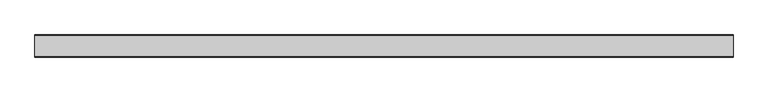
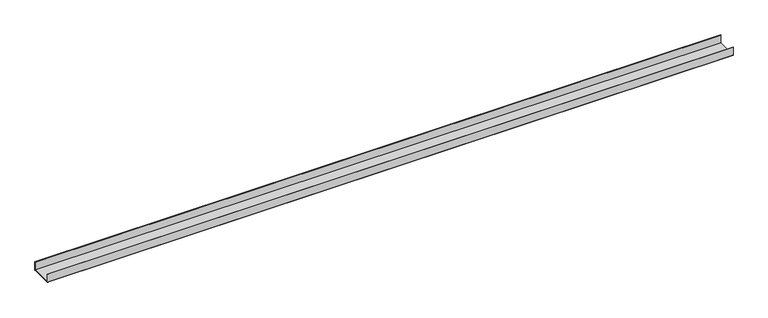
"""IFC4 building model written with IfcOpenShell, lengths in millimetres: proxy geometry."""

from ifc_helpers import new_model, si_unit, point, frame, frame_2d, origin, place, context, project, spatial, polyline, circle_curve, trimmed, segment, composite_curve, outline, extrude, source, transform, mapped, element, save


def generic_models_ccf7e4f2(model_context):
    return source(origin(), model_context, "Body", "SweptSolid", [
        extrude(outline(composite_curve([segment(polyline([(-50.5, 2.0), (-50.5, 40.0), (-48.5, 40.0), (-48.5, 2.0), (48.5, 2.0), (48.5, 40.0), (50.5, 40.0), (50.5, 2.0)]), True, "CONTINUOUS"), segment(trimmed(circle_curve(frame_2d((48.5, 2.0)), 2.0), [point((50.5, 2.0))], [point((48.5, 0.0))], False, "CARTESIAN"), True, "CONTINUOUS"), segment(polyline([(48.5, 0.0), (-48.5, 0.0)]), True, "CONTINUOUS"), segment(trimmed(circle_curve(frame_2d((-48.5, 2.0)), 2.0), [point((-48.5, 0.0))], [point((-50.5, 2.0))], False, "CARTESIAN"), True, "CONTINUOUS")], self_intersect=False)), frame((0.0, 0.0, 0.0), z_axis=(1.0, 0.0, 0.0), x_axis=(0.0, 1.0, 0.0)), (0.0, 0.0, 1.0), 3179.9002754),
    ])


if __name__ == "__main__":
    model = new_model("IFC4")
    model_context = context("Model", 3, world=origin())
    ifc_project = project(units=[si_unit("LENGTHUNIT", "METRE", prefix="MILLI")], contexts=[model_context])
    site = spatial("IfcSite", under=ifc_project)
    building = spatial("IfcBuilding", under=site)
    placement = place(None, origin())
    generic_models_shape = generic_models_ccf7e4f2(model_context)
    element("IfcBuildingElementProxy", 1, Name="Generic Models", at=placement, inside=building, context=model_context, shape_type="MappedRepresentation", body=[
        mapped(generic_models_shape, transform((0.0, 0.0, 0.0), x_axis=(1.0, 0.0, 0.0), y_axis=(0.0, 1.0, 0.0), z_axis=(0.0, 0.0, 1.0))),
    ])
    save(model, "model.ifc")
